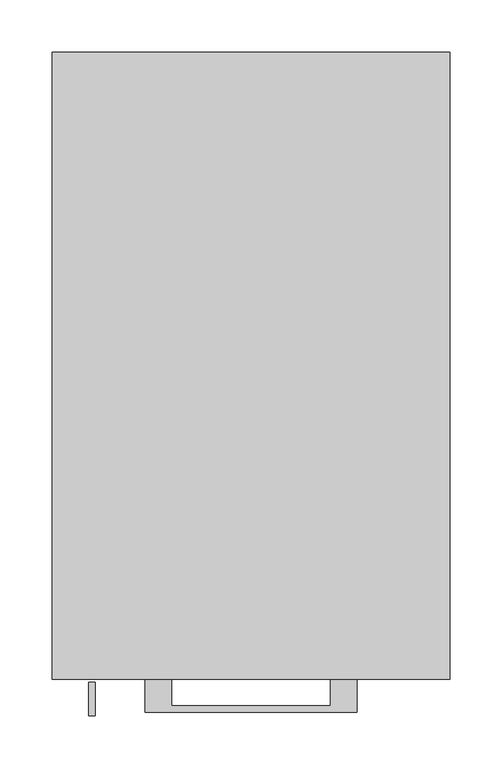
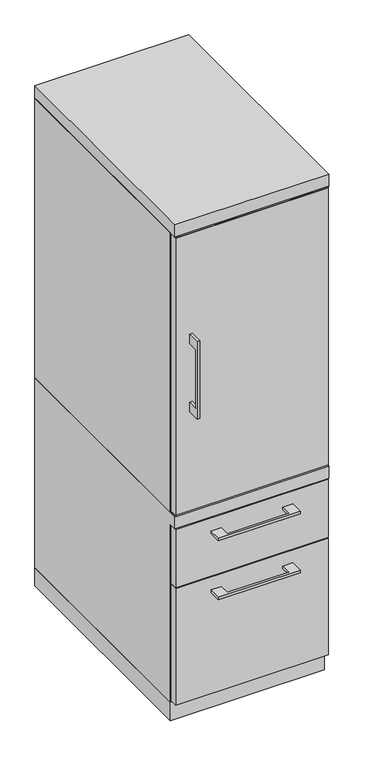
"""IFC4 building model written with IfcOpenShell, lengths in millimetres: furniture geometry."""

from ifc_helpers import new_model, si_unit, frame, origin, origin_with_axes, place, context, project, spatial, polyline, outline, extrude, faceted_brep, source, transform, mapped, element, save


def furniture_6e5f41c0(model_context):
    return source(origin(), model_context, "Body", "SolidModel", [
        extrude(outline(polyline([(-603.25, 986.63125), (-628.6499758, 986.63125), (-628.6499758, 834.23125), (-603.25, 834.23125), (-603.25, 808.83125), (-634.9999879, 808.83125), (-634.9999879, 1012.03125), (-603.25, 1012.03125), (-603.25, 986.63125)])), frame((-155.5749879, 0.0, 0.0), z_axis=(1.0, 0.0, 0.0), x_axis=(0.0, 1.0, 0.0)), (0.0, 0.0, 1.0), 6.3499758),
        extrude(outline(polyline([(188.9125, -600.075), (-188.9125, -600.075), (-188.9125, -581.025), (188.9125, -581.025), (188.9125, -600.075)])), frame((0.0, 0.0, 547.6875), z_axis=(0.0, 0.0, 1.0), x_axis=(1.0, 0.0, 0.0)), (0.0, 0.0, 1.0), 725.4875),
        extrude(outline(polyline([(-76.1999818, -600.075), (-76.1999818, -625.4749758), (76.2, -625.4749758), (76.2, -600.075), (101.5999939, -600.075), (101.5999939, -631.8249879), (-101.5999939, -631.8249879), (-101.5999939, -600.075), (-76.1999818, -600.075)])), frame((0.0, 0.0, 469.9000506), z_axis=(0.0, 0.0, 1.0), x_axis=(1.0, 0.0, 0.0)), (0.0, 0.0, 1.0), 6.3499758),
        extrude(outline(polyline([(188.9125, -581.025), (188.9125, -600.075), (-188.9125, -600.075), (-188.9125, -581.025), (188.9125, -581.025)])), frame((0.0, 0.0, 358.775), z_axis=(0.0, 0.0, 1.0), x_axis=(1.0, 0.0, 0.0)), (0.0, 0.0, 1.0), 150.8125),
        extrude(outline(polyline([(-76.1999818, -600.075), (-76.1999818, -625.4749758), (76.2, -625.4749758), (76.2, -600.075), (101.5999939, -600.075), (101.5999939, -631.8249879), (-101.5999939, -631.8249879), (-101.5999939, -600.075), (-76.1999818, -600.075)])), frame((0.0, 0.0, 315.9125506), z_axis=(0.0, 0.0, 1.0), x_axis=(1.0, 0.0, 0.0)), (0.0, 0.0, 1.0), 6.3499758),
        extrude(outline(polyline([(188.9125, -581.025), (188.9125, -600.075), (-188.9125, -600.075), (-188.9125, -581.025), (188.9125, -581.025)])), frame((0.0, 0.0, 50.8), z_axis=(0.0, 0.0, 1.0), x_axis=(1.0, 0.0, 0.0)), (0.0, 0.0, 1.0), 304.8),
        extrude(outline(polyline([(188.9125, -581.025), (188.9125, -600.075), (-188.9125, -600.075), (-188.9125, -581.025), (188.9125, -581.025)])), frame((0.0, 0.0, 544.5125), z_axis=(0.0, 0.0, 1.0), x_axis=(1.0, 0.0, 0.0)), (0.0, 0.0, 1.0), 731.8375),
        extrude(outline(polyline([(-171.45, 0.0), (-171.45, -581.025), (-190.5, -581.025), (-190.5, 0.0), (-171.45, 0.0)])), frame((0.0, 0.0, 544.5125), z_axis=(0.0, 0.0, 1.0), x_axis=(1.0, 0.0, 0.0)), (0.0, 0.0, 1.0), 731.8375),
        extrude(outline(polyline([(190.5, -581.025), (171.45, -581.025), (171.45, 0.0), (190.5, 0.0), (190.5, -581.025)])), frame((0.0, 0.0, 544.5125), z_axis=(0.0, 0.0, 1.0), x_axis=(1.0, 0.0, 0.0)), (0.0, 0.0, 1.0), 731.8375),
        extrude(outline(polyline([(171.45, -19.05), (-171.45, -19.05), (-171.45, 0.0), (171.45, 0.0), (171.45, -19.05)])), frame((0.0, 0.0, 47.625), z_axis=(0.0, 0.0, 1.0), x_axis=(1.0, 0.0, 0.0)), (0.0, 0.0, 1.0), 1228.725),
        faceted_brep([(-171.45, 0.0, 544.5125), (-190.5, 0.0, 544.5125), (-190.5, -600.075, 544.5125), (190.5, -600.075, 544.5125), (190.5, 0.0, 544.5125), (171.45, 0.0, 544.5125), (171.45, -19.05, 544.5125), (-171.45, -19.05, 544.5125), (-171.45, 0.0, 47.625), (-171.45, -581.025, 47.625), (-190.5, -581.025, 47.625), (-190.5, 0.0, 47.625), (-190.5, -581.025, 512.7625), (-190.5, -600.075, 512.7625), (-171.45, -581.025, 512.7625), (-171.45, -19.05, 512.7625), (190.5, -600.075, 512.7625), (171.45, -19.05, 512.7625), (171.45, -581.025, 512.7625), (190.5, -581.025, 512.7625), (190.5, -581.025, 47.625), (190.5, 0.0, 47.625), (171.45, -581.025, 47.625), (171.45, 0.0, 47.625)], [[[0, 1, 2, 3, 4, 5, 6, 7]], [[8, 9, 10, 11]], [[1, 0, 8, 11]], [[11, 10, 12, 13, 2, 1]], [[10, 9, 14, 12]], [[9, 8, 0, 7, 15, 14]], [[16, 13, 12, 14, 15, 17, 18, 19]], [[15, 7, 6, 17]], [[3, 2, 13, 16]], [[4, 3, 16, 19, 20, 21]], [[21, 20, 22, 23]], [[5, 4, 21, 23]], [[23, 22, 18, 17, 6, 5]], [[22, 20, 19, 18]]]),
        extrude(outline(polyline([(190.5, 0.0), (190.5, -600.075), (-190.5, -600.075), (-190.5, 0.0), (190.5, 0.0)])), frame((0.0, 0.0, 1276.35), z_axis=(0.0, 0.0, 1.0), x_axis=(1.0, 0.0, 0.0)), (0.0, 0.0, 1.0), 31.75),
        extrude(outline(polyline([(190.5, 0.0), (190.5, -581.025), (-190.5, -581.025), (-190.5, 0.0), (190.5, 0.0)])), origin_with_axes(), (0.0, 0.0, 1.0), 47.625),
    ])


if __name__ == "__main__":
    model = new_model("IFC4")
    model_context = context("Model", 3, world=origin())
    ifc_project = project(units=[si_unit("LENGTHUNIT", "METRE", prefix="MILLI")], contexts=[model_context])
    site = spatial("IfcSite", under=ifc_project)
    building = spatial("IfcBuilding", under=site)
    placement = place(None, origin())
    furniture_shape = furniture_6e5f41c0(model_context)
    element("IfcFurniture", 1, at=placement, inside=building, context=model_context, shape_type="MappedRepresentation", body=[
        mapped(furniture_shape, transform((0.0, 0.0, 0.0), x_axis=(1.0, 0.0, 0.0), y_axis=(0.0, 1.0, 0.0), z_axis=(0.0, 0.0, 1.0))),
    ])
    save(model, "model.ifc")
